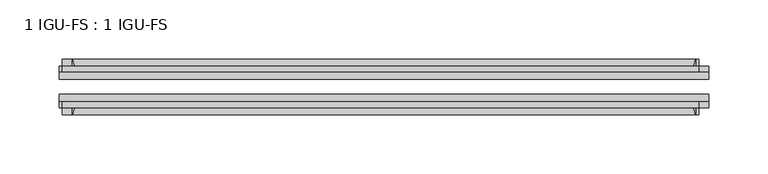
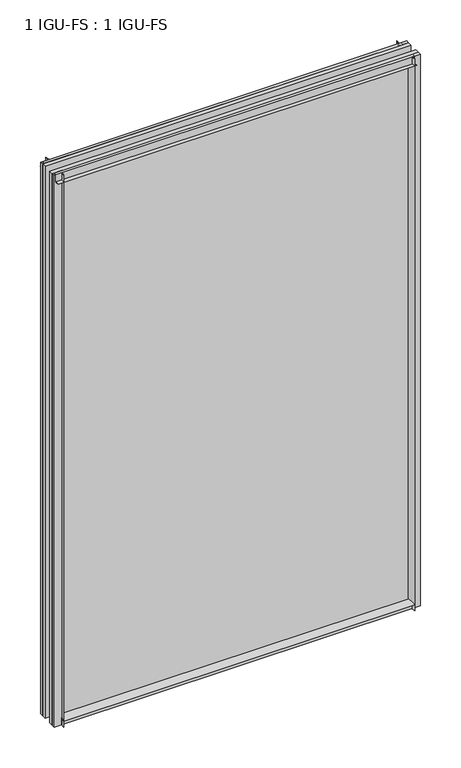
"""IFC4 building model written with IfcOpenShell, lengths in millimetres: plate geometry, 1 IGU-FS : 1 IGU-FS."""

from ifc_helpers import new_model, si_unit, point, frame, frame_2d, origin, place, context, project, spatial, polyline, circle_curve, trimmed, segment, composite_curve, outline, extrude, source, transform, mapped, element, save


def plate_1_igu_fs_1_igu_fs_260d173a(model_context):
    return source(origin(), model_context, "Body", "SweptSolid", [
        extrude(outline(composite_curve([segment(polyline([(-44.859575, -9.525), (-44.859575, 0.0), (-50.8285753, 0.0)]), True, "CONTINUOUS"), segment(trimmed(circle_curve(frame_2d((-56.4601953, 32.279754)), 32.7673262), [point((-50.8285753, 0.0))], [point((-40.084375, 3.8978906))], True, "CARTESIAN"), True, "CONTINUOUS"), segment(polyline([(-40.084375, 3.8978906), (-40.084375, -9.525), (-44.859575, -9.525)]), True, "CONTINUOUS")], self_intersect=False)), frame((-263.5238094, 0.0, 0.0), z_axis=(1.0, 0.0, 0.0), x_axis=(0.0, 1.0, 0.0)), (0.0, 0.0, 1.0), 527.0476187),
        extrude(outline(composite_curve([segment(polyline([(-9.909175, -9.525), (-14.684375, -9.525), (-14.684375, 3.8978906)]), True, "CONTINUOUS"), segment(trimmed(circle_curve(frame_2d((1.6914453, 32.279754)), 32.7673262), [point((-14.684375, 3.8978906))], [point((-3.9401747, 0.0))], True, "CARTESIAN"), True, "CONTINUOUS"), segment(polyline([(-3.9401747, 0.0), (-9.909175, 0.0), (-9.909175, -9.525)]), True, "CONTINUOUS")], self_intersect=False)), frame((-263.5238094, 0.0, 0.0), z_axis=(1.0, 0.0, 0.0), x_axis=(0.0, 1.0, 0.0)), (0.0, 0.0, 1.0), 527.0476187),
        extrude(outline(composite_curve([segment(polyline([(-9.909175, 865.1875), (-9.909175, 854.075), (-3.9401753, 854.075)]), True, "CONTINUOUS"), segment(trimmed(circle_curve(frame_2d((1.6914453, 821.7952461)), 32.7673262), [point((-3.9401753, 854.075))], [point((-14.684375, 850.1771095))], True, "CARTESIAN"), True, "CONTINUOUS"), segment(polyline([(-14.684375, 850.1771095), (-14.684375, 865.1875), (-9.909175, 865.1875)]), True, "CONTINUOUS")], self_intersect=False)), frame((-272.036548, 0.0, 0.0), z_axis=(1.0, 0.0, 0.0), x_axis=(0.0, 1.0, 0.0)), (0.0, 0.0, 1.0), 538.1063189),
        extrude(outline(composite_curve([segment(polyline([(-40.084375, 865.1875), (-40.084375, 850.1771095)]), True, "CONTINUOUS"), segment(trimmed(circle_curve(frame_2d((-56.4601953, 821.7952461)), 32.7673262), [point((-40.084375, 850.1771095))], [point((-50.8285747, 854.075))], True, "CARTESIAN"), True, "CONTINUOUS"), segment(polyline([(-50.8285747, 854.075), (-44.859575, 854.075), (-44.859575, 865.1875), (-40.084375, 865.1875)]), True, "CONTINUOUS")], self_intersect=False)), frame((-272.036548, 0.0, 0.0), z_axis=(1.0, 0.0, 0.0), x_axis=(0.0, 1.0, 0.0)), (0.0, 0.0, 1.0), 538.1063189),
        extrude(outline(composite_curve([segment(polyline([(274.6363094, -9.909175), (274.6363094, -14.684375), (259.6259189, -14.684375)]), True, "CONTINUOUS"), segment(trimmed(circle_curve(frame_2d((231.2440554, 1.6914453)), 32.7673262), [point((259.6259189, -14.684375))], [point((263.5238094, -3.940175))], True, "CARTESIAN"), True, "CONTINUOUS"), segment(polyline([(263.5238094, -3.940175), (263.5238094, -9.909175), (274.6363094, -9.909175)]), True, "CONTINUOUS")], self_intersect=False)), frame((0.0, 0.0, -9.525), z_axis=(0.0, 0.0, 1.0), x_axis=(1.0, 0.0, 0.0)), (0.0, 0.0, 1.0), 874.7125),
        extrude(outline(composite_curve([segment(polyline([(274.6363094, -40.084375), (274.6363094, -44.859575), (263.5238094, -44.859575), (263.5238094, -50.828575)]), True, "CONTINUOUS"), segment(trimmed(circle_curve(frame_2d((231.2440554, -56.4601953)), 32.7673262), [point((263.5238094, -50.828575))], [point((259.6259189, -40.084375))], True, "CARTESIAN"), True, "CONTINUOUS"), segment(polyline([(259.6259189, -40.084375), (274.6363094, -40.084375)]), True, "CONTINUOUS")], self_intersect=False)), frame((0.0, 0.0, -9.525), z_axis=(0.0, 0.0, 1.0), x_axis=(1.0, 0.0, 0.0)), (0.0, 0.0, 1.0), 874.7125),
        extrude(outline(composite_curve([segment(polyline([(-274.6363094, -9.909175), (-263.5238094, -9.909175), (-263.5238094, -3.940175)]), True, "CONTINUOUS"), segment(trimmed(circle_curve(frame_2d((-231.2440554, 1.6914453)), 32.7673262), [point((-263.5238094, -3.940175))], [point((-259.6259189, -14.684375))], True, "CARTESIAN"), True, "CONTINUOUS"), segment(polyline([(-259.6259189, -14.684375), (-274.6363094, -14.684375), (-274.6363094, -9.909175)]), True, "CONTINUOUS")], self_intersect=False)), frame((0.0, 0.0, -9.525), z_axis=(0.0, 0.0, 1.0), x_axis=(1.0, 0.0, 0.0)), (0.0, 0.0, 1.0), 874.7125),
        extrude(outline(composite_curve([segment(polyline([(-274.6363094, -44.859575), (-274.6363094, -40.084375), (-259.6259189, -40.084375)]), True, "CONTINUOUS"), segment(trimmed(circle_curve(frame_2d((-231.2440554, -56.4601953)), 32.7673262), [point((-259.6259189, -40.084375))], [point((-263.5238094, -50.828575))], True, "CARTESIAN"), True, "CONTINUOUS"), segment(polyline([(-263.5238094, -50.828575), (-263.5238094, -44.859575), (-274.6363094, -44.859575)]), True, "CONTINUOUS")], self_intersect=False)), frame((0.0, 0.0, -9.525), z_axis=(0.0, 0.0, 1.0), x_axis=(1.0, 0.0, 0.0)), (0.0, 0.0, 1.0), 874.7125),
        extrude(outline(polyline([(-274.6363094, -40.084375), (-274.6363094, -33.785175), (274.6363094, -33.785175), (274.6363094, -40.084375), (-274.6363094, -40.084375)])), frame((0.0, 0.0, -9.525), z_axis=(0.0, 0.0, 1.0), x_axis=(1.0, 0.0, 0.0)), (0.0, 0.0, 1.0), 874.7125),
        extrude(outline(polyline([(274.6363094, -20.983575), (-274.6363094, -20.983575), (-274.6363094, -14.684375), (274.6363094, -14.684375), (274.6363094, -20.983575)])), frame((0.0, 0.0, -9.525), z_axis=(0.0, 0.0, 1.0), x_axis=(1.0, 0.0, 0.0)), (0.0, 0.0, 1.0), 874.7125),
    ])


if __name__ == "__main__":
    model = new_model("IFC4")
    model_context = context("Model", 3, world=origin())
    ifc_project = project(units=[si_unit("LENGTHUNIT", "METRE", prefix="MILLI")], contexts=[model_context])
    site = spatial("IfcSite", under=ifc_project)
    building = spatial("IfcBuilding", under=site)
    placement = place(None, origin())
    plate_1_igu_fs_1_igu_fs_shape = plate_1_igu_fs_1_igu_fs_260d173a(model_context)
    element("IfcPlate", 1, ObjectType="1 IGU-FS : 1 IGU-FS", at=placement, inside=building, context=model_context, shape_type="MappedRepresentation", body=[
        mapped(plate_1_igu_fs_1_igu_fs_shape, transform((0.0, 0.0, 0.0), x_axis=(1.0, 0.0, 0.0), y_axis=(0.0, 1.0, 0.0), z_axis=(0.0, 0.0, 1.0))),
    ])
    save(model, "model.ifc")
